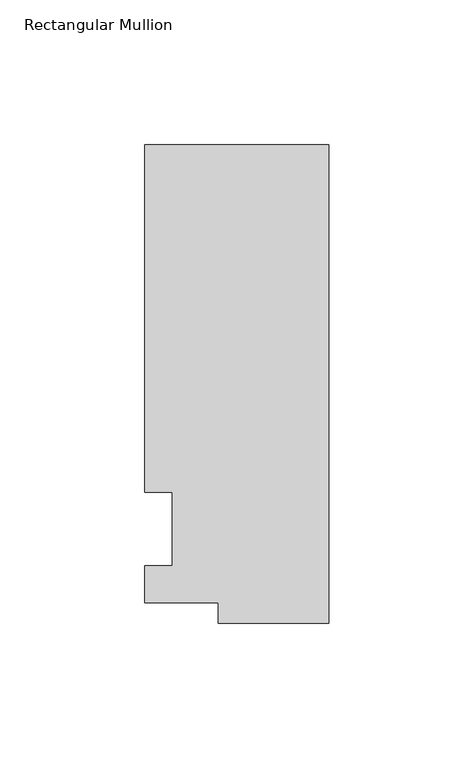
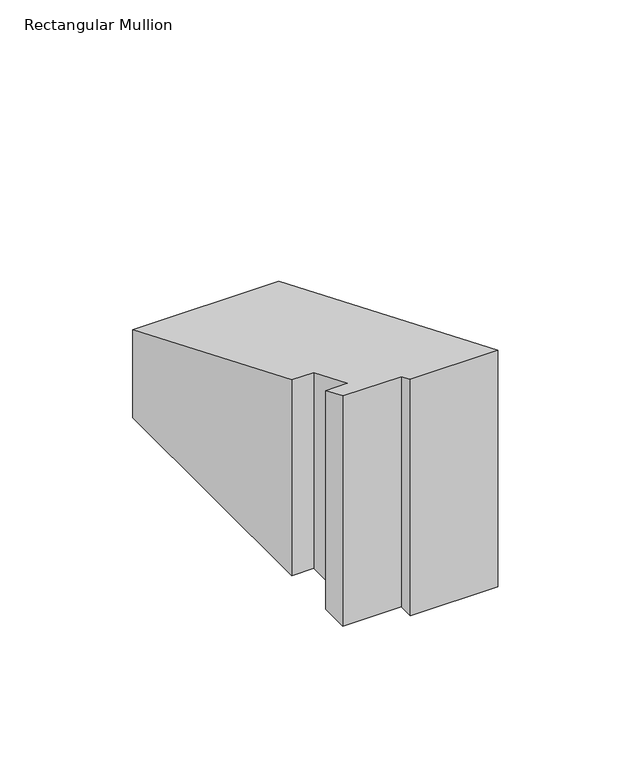
"""IFC4 building model written with IfcOpenShell, lengths in millimetres: member geometry, Rectangular Mullion."""

from ifc_helpers import new_model, si_unit, origin, place, context, project, spatial, faceted_brep, source, transform, mapped, element, save


def rectangular_mullion_4a2a51b9(model_context):
    return source(origin(), model_context, "Body", "Brep", [
        faceted_brep([(-38.1, -32.54375, -95.25), (-38.1, -25.58415, -95.25), (-63.5, -25.58415, -95.25), (-63.5, -12.7, -95.25), (-53.975, -12.7, -95.25), (-53.975, 12.7, -95.25), (-63.5, 12.7, -95.25), (-63.5, 132.55625, -95.25), (0.0, 132.55625, -95.25), (0.0, -32.54375, -95.25), (0.0, -32.54375, 13.4800626), (-38.1, -32.54375, 13.4800626), (0.0, 132.55625, -54.9065965), (-63.5, 132.55625, -54.9065965), (-63.5, 12.7, -5.2605122), (-53.975, 12.7, -5.2605122), (-53.975, -12.7, 5.2605122), (-63.5, -12.7, 5.2605122), (-63.5, -25.58415, 10.5973019), (-38.1, -25.58415, 10.5973019)], [[[0, 1, 2, 3, 4, 5, 6, 7, 8, 9]], [[10, 11, 0, 9]], [[12, 10, 9, 8]], [[13, 12, 8, 7]], [[14, 13, 7, 6]], [[15, 14, 6, 5]], [[16, 15, 5, 4]], [[17, 16, 4, 3]], [[18, 17, 3, 2]], [[11, 10, 12, 13, 14, 15, 16, 17, 18, 19]], [[19, 18, 2, 1]], [[11, 19, 1, 0]]]),
    ])


if __name__ == "__main__":
    model = new_model("IFC4")
    model_context = context("Model", 3, world=origin())
    ifc_project = project(units=[si_unit("LENGTHUNIT", "METRE", prefix="MILLI")], contexts=[model_context])
    site = spatial("IfcSite", under=ifc_project)
    building = spatial("IfcBuilding", under=site)
    placement = place(None, origin())
    rectangular_mullion_shape = rectangular_mullion_4a2a51b9(model_context)
    element("IfcMember", 1, ObjectType="Rectangular Mullion", at=placement, inside=building, context=model_context, shape_type="MappedRepresentation", body=[
        mapped(rectangular_mullion_shape, transform((0.0, 0.0, 0.0), x_axis=(1.0, 0.0, 0.0), y_axis=(0.0, 1.0, 0.0), z_axis=(0.0, 0.0, 1.0))),
    ])
    save(model, "model.ifc")
